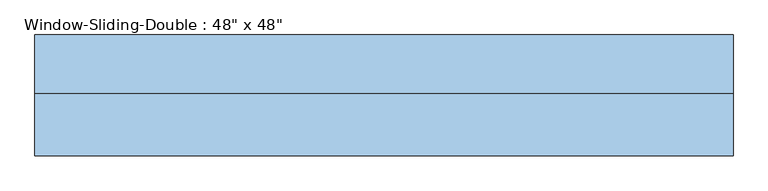
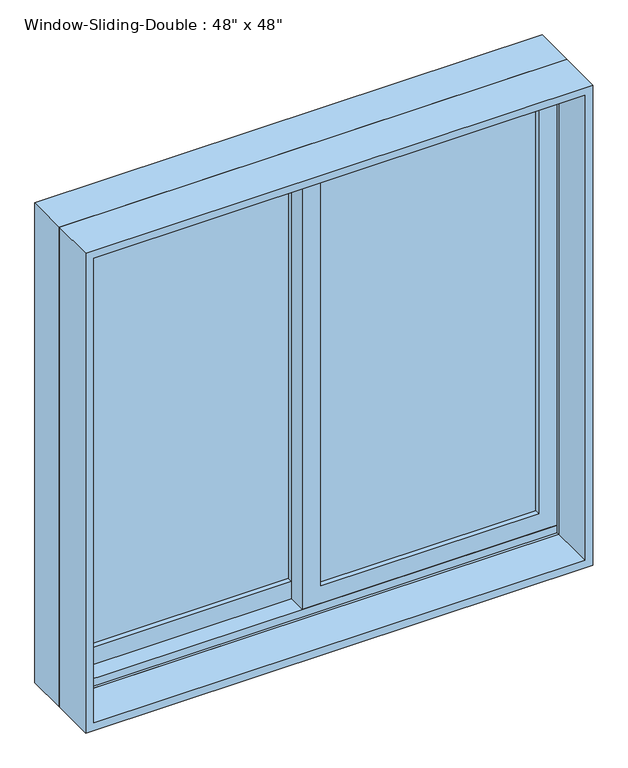
"""IFC4 building model written with IfcOpenShell, lengths in millimetres: window geometry."""

import ifcopenshell
import ifcopenshell.guid

model = None  # the IFC model being written
_history = None  # IfcOwnerHistory: only IFC2X3 demands one
_inside = {}  # id of a spatial element -> (the spatial element, [elements in it])
_under = {}  # id of a project, library or spatial element -> (it, [spatial elements below it])
_declared = {}  # id of a project -> (the project, [libraries it declares])
_typed = {}  # id of a type object -> (the type object, [elements of that type])
_made_of = {}  # id of a material, layer set ... -> (it, [elements and type objects made of it])


def new_model(schema):
    """Start an empty IFC model of exactly this schema.

    Asked for "IFC4X3", IfcOpenShell would pick the latest addendum, in which some entities
    have other attributes; the version numbers below select the first issue.
    IFC2X3 requires an IfcOwnerHistory on every rooted entity: one is made here for all.
    """
    global model, _history
    if schema == "IFC4X3":
        model = ifcopenshell.file(schema_version=(4, 3, 0, 0))
    else:
        model = ifcopenshell.file(schema=schema)
    _inside.clear()
    _under.clear()
    _declared.clear()
    _typed.clear()
    _made_of.clear()
    _history = None
    if model.schema == "IFC2X3":
        org = make("IfcOrganization", Name="unknown")
        user = make(
            "IfcPersonAndOrganization",
            ThePerson=make("IfcPerson", FamilyName="unknown"),
            TheOrganization=org,
        )
        app = make(
            "IfcApplication",
            ApplicationDeveloper=org,
            Version="unknown",
            ApplicationFullName="unknown",
            ApplicationIdentifier="unknown",
        )
        _history = make(
            "IfcOwnerHistory",
            OwningUser=user,
            OwningApplication=app,
            ChangeAction="ADDED",
            CreationDate=0,
        )
    return model


def make(cls, **values):
    """One entity of the class cls with the attributes given. An attribute that is None is left unset."""
    return model.create_entity(
        cls, **{name: value for name, value in values.items() if value is not None}
    )


def rooted(cls, **values):
    """An entity with a GlobalId (a new one), such as an element, a storey or a relation."""
    return make(cls, GlobalId=ifcopenshell.guid.new(), OwnerHistory=_history, **values)


def si_unit(unit_type, name, prefix=None):
    """IfcSIUnit, for example si_unit("LENGTHUNIT", "METRE", prefix="MILLI")."""
    return make("IfcSIUnit", UnitType=unit_type, Prefix=prefix, Name=name)


def assignment(units):
    """IfcUnitAssignment: the units of a project."""
    return None if units is None else make("IfcUnitAssignment", Units=units)


def point(xyz):
    """IfcCartesianPoint."""
    return None if xyz is None else make("IfcCartesianPoint", Coordinates=xyz)


def direction(xyz):
    """IfcDirection."""
    return None if xyz is None else make("IfcDirection", DirectionRatios=xyz)


def frame(location, z_axis=None, x_axis=None):
    """IfcAxis2Placement3D, a coordinate frame: its origin and axes. An axis left out is left unset."""
    return make(
        "IfcAxis2Placement3D",
        Location=point(location),
        Axis=direction(z_axis),
        RefDirection=direction(x_axis),
    )


def origin():
    """The frame at (0, 0, 0) with its axes left unset."""
    return frame((0.0, 0.0, 0.0))


def place(relative_to, where):
    """IfcLocalPlacement: puts the frame where relative to a parent placement (None: the world)."""
    return make(
        "IfcLocalPlacement", PlacementRelTo=relative_to, RelativePlacement=where
    )


def context(
    kind, dimensions, precision=None, world=None, true_north=None, identifier=None
):
    """IfcGeometricRepresentationContext, for example the 3D "Model" context."""
    return make(
        "IfcGeometricRepresentationContext",
        ContextIdentifier=identifier,
        ContextType=kind,
        CoordinateSpaceDimension=dimensions,
        Precision=precision,
        WorldCoordinateSystem=world,
        TrueNorth=true_north,
    )


def project(units=None, contexts=None):
    """IfcProject with its units and contexts."""
    return rooted(
        "IfcProject",
        Name="project",
        RepresentationContexts=contexts,
        UnitsInContext=assignment(units),
    )


def spatial(cls, under=None, at=None, **own):
    """A site, building, storey or space (cls), placed at a placement, below another one or the project."""
    s = rooted(cls, ObjectPlacement=at, **own)
    if under is not None:
        _under.setdefault(under.id(), (under, []))[1].append(s)
    return s


def polyline(points):
    """IfcPolyline through the points."""
    return make("IfcPolyline", Points=[point(p) for p in points])


def outline(outer, holes=None, kind="AREA"):
    """IfcArbitraryClosedProfileDef: a profile drawn as a closed curve; with holes, ...WithVoids."""
    if holes is None:
        return make("IfcArbitraryClosedProfileDef", ProfileType=kind, OuterCurve=outer)
    return make(
        "IfcArbitraryProfileDefWithVoids",
        ProfileType=kind,
        OuterCurve=outer,
        InnerCurves=holes,
    )


def extrude(swept, where, along, depth):
    """IfcExtrudedAreaSolid: the profile swept, set in the frame where, extruded along a direction by depth."""
    return make(
        "IfcExtrudedAreaSolid",
        SweptArea=swept,
        Position=where,
        ExtrudedDirection=direction(along),
        Depth=depth,
    )


def faces_of(points, faces, orient=None, outer=None):
    """IfcFace entities. A face is a list of loops; a loop is a list of indices into points, from 0.

    orient and outer hold one flag for each loop. By default every Orientation is true, the
    first loop of a face is its IfcFaceOuterBound and the others are IfcFaceBound.
    """
    made = []
    for i, loops in enumerate(faces):
        bounds = []
        for j, loop in enumerate(loops):
            is_outer = j == 0 if outer is None else outer[i][j]
            bounds.append(
                make(
                    "IfcFaceOuterBound" if is_outer else "IfcFaceBound",
                    Bound=make("IfcPolyLoop", Polygon=[points[k] for k in loop]),
                    Orientation=True if orient is None else orient[i][j],
                )
            )
        made.append(make("IfcFace", Bounds=bounds))
    return made


def faceted_brep(points, faces, orient=None, outer=None, voids=None):
    """IfcFacetedBrep: a solid bounded by flat faces; with voids (closed shells), ...WithVoids."""
    shared = [point(p) for p in points]
    hull = make("IfcClosedShell", CfsFaces=faces_of(shared, faces, orient, outer))
    if voids is None:
        return make("IfcFacetedBrep", Outer=hull)
    return make(
        "IfcFacetedBrepWithVoids",
        Outer=hull,
        Voids=[
            make(cls, CfsFaces=faces_of(shared, fs, o, b)) for cls, fs, o, b in voids
        ],
    )


def shape(context_of_items, identifier, shape_type, items):
    """IfcShapeRepresentation: the items that make up one representation, for example the "Body"."""
    return make(
        "IfcShapeRepresentation",
        ContextOfItems=context_of_items,
        RepresentationIdentifier=identifier,
        RepresentationType=shape_type,
        Items=items,
    )


def source(mapping_origin, context_of_items, identifier, shape_type, items):
    """IfcRepresentationMap: a shape defined once, which mapped items show again and again."""
    return make(
        "IfcRepresentationMap",
        MappingOrigin=mapping_origin,
        MappedRepresentation=shape(context_of_items, identifier, shape_type, items),
    )


def transform(
    local_origin,
    x_axis=None,
    y_axis=None,
    z_axis=None,
    scale=None,
    scale2=None,
    scale3=None,
    uniform=True,
):
    """IfcCartesianTransformationOperator3D, or its non-uniform kind. x_axis, y_axis, z_axis: its Axis1, 2, 3."""
    if uniform:
        return make(
            "IfcCartesianTransformationOperator3D",
            Axis1=direction(x_axis),
            Axis2=direction(y_axis),
            LocalOrigin=point(local_origin),
            Scale=scale,
            Axis3=direction(z_axis),
        )
    return make(
        "IfcCartesianTransformationOperator3DnonUniform",
        Axis1=direction(x_axis),
        Axis2=direction(y_axis),
        LocalOrigin=point(local_origin),
        Scale=scale,
        Axis3=direction(z_axis),
        Scale2=scale2,
        Scale3=scale3,
    )


def mapped(mapping_source, mapping_target):
    """IfcMappedItem: shows the shape of a source again, moved by a transform."""
    return make(
        "IfcMappedItem", MappingSource=mapping_source, MappingTarget=mapping_target
    )


def made_of(thing, what):
    """Note that an element or type object is made of a material, layer set ...; save() writes the relation."""
    if what is not None:
        _made_of.setdefault(what.id(), (what, []))[1].append(thing)
    return thing


def element(
    cls,
    number,
    at=None,
    inside=None,
    cuts=None,
    type_object=None,
    material=None,
    context=None,
    identifier="Body",
    shape_type=None,
    held_by="IfcProductDefinitionShape",
    body=None,
    shapes=None,
    **own,
):
    """One element of the class cls, such as IfcWall. Its Tag is "e" and its number.

    at: its placement. inside: the storey or other place that contains it. cuts: it is an
    opening in that element (IfcRelVoidsElement). A single representation is given by context,
    identifier, shape_type and body (its items); several are given by shapes. held_by: the class
    of the entity that holds the representations. save() writes the other relations.
    """
    e = rooted(cls, Tag="e%d" % number, ObjectPlacement=at, **own)
    if body is not None:
        shapes = [shape(context, identifier, shape_type, body)]
    if shapes is not None:
        e.Representation = make(held_by, Representations=shapes)
    if inside is not None:
        _inside.setdefault(inside.id(), (inside, []))[1].append(e)
    if cuts is not None:
        rooted(
            "IfcRelVoidsElement", RelatingBuildingElement=cuts, RelatedOpeningElement=e
        )
    if type_object is not None:
        _typed.setdefault(type_object.id(), (type_object, []))[1].append(e)
    return made_of(e, material)


def aggregate(whole, parts):
    """IfcRelAggregates: a whole, such as a stair, and the parts it consists of."""
    return rooted("IfcRelAggregates", RelatingObject=whole, RelatedObjects=parts)


def save(model, path):
    """Write the relations noted so far, then the file.

    IfcRelAggregates (storeys below a building ...), IfcRelContainedInSpatialStructure (elements
    in a storey), IfcRelDefinesByType, IfcRelAssociatesMaterial and IfcRelDeclares: one each for
    every whole, place, type object, material and project.
    """
    for whole, parts in _under.values():
        aggregate(whole, parts)
    for where, things in _inside.values():
        rooted(
            "IfcRelContainedInSpatialStructure",
            RelatedElements=things,
            RelatingStructure=where,
        )
    for kind, things in _typed.values():
        rooted("IfcRelDefinesByType", RelatedObjects=things, RelatingType=kind)
    for what, things in _made_of.values():
        rooted("IfcRelAssociatesMaterial", RelatedObjects=things, RelatingMaterial=what)
    for by, libraries in _declared.values():
        rooted("IfcRelDeclares", RelatingContext=by, RelatedDefinitions=libraries)
    model.write(path)


def window_9bcd7ea6(model_context):
    return source(origin(), model_context, "Body", "SolidModel", [
        faceted_brep([(-609.6, 9.68375, 914.4), (-609.6, 111.28375, 914.4), (609.6, 111.28375, 914.4), (609.6, 9.68375, 914.4), (-568.6778905, 111.28375, 2092.6778905), (-568.6778905, 104.93375, 2092.6778905), (-568.6778905, 104.93375, 933.45), (-568.6778905, 111.28375, 933.45), (568.6778905, 104.93375, 2092.6778905), (568.6778905, 104.93375, 933.45), (590.55, 104.93375, 933.45), (590.55, 104.93375, 2114.55), (-590.55, 104.93375, 2114.55), (-590.55, 104.93375, 933.45), (-590.55, 9.68375, 2114.55), (-590.55, 9.68375, 933.45), (-590.55, 16.03375, 933.45), (-590.55, 16.03375, 952.5), (-590.55, 60.48375, 952.5), (-590.55, 60.48375, 933.45), (609.6, 9.68375, 2133.6), (-609.6, 9.68375, 2133.6), (590.55, 9.68375, 2114.55), (590.55, 9.68375, 933.45), (-609.6, 111.28375, 2133.6), (609.6, 111.28375, 2133.6), (568.6778905, 111.28375, 933.45), (568.6778905, 111.28375, 2092.6778905), (590.55, 60.48375, 933.45), (590.55, 60.48375, 952.5), (590.55, 16.03375, 952.5), (590.55, 16.03375, 933.45)], [[[0, 1, 2, 3]], [[4, 5, 6, 7]], [[5, 8, 9, 10, 11, 12, 13, 6]], [[12, 14, 15, 16, 17, 18, 19, 13]], [[0, 3, 20, 21], [22, 23, 15, 14]], [[24, 1, 0, 21]], [[2, 1, 24, 25], [4, 7, 26, 27]], [[5, 4, 27, 8]], [[12, 11, 22, 14]], [[21, 20, 25, 24]], [[8, 27, 26, 9]], [[22, 11, 10, 28, 29, 30, 31, 23]], [[20, 3, 2, 25]], [[26, 7, 6, 13, 19, 28, 10, 9]], [[28, 19, 18, 29]], [[29, 18, 17, 30]], [[30, 17, 16, 31]], [[15, 23, 31, 16]]]),
        extrude(outline(polyline([(2133.6, -609.6), (914.4, -609.6), (914.4, 609.6), (2133.6, 609.6), (2133.6, -609.6)]), holes=[polyline([(2114.55, 590.55), (933.45, 590.55), (933.45, -590.55), (2114.55, -590.55), (2114.55, 590.55)])]), frame((0.0, -99.85375, 0.0), z_axis=(0.0, 1.0, 0.0), x_axis=(0.0, 0.0, 1.0)), (0.0, 0.0, 1.0), 109.5375),
        extrude(outline(polyline([(546.1, 47.78375), (546.1, 41.43375), (22.225, 41.43375), (22.225, 47.78375), (546.1, 47.78375)])), frame((0.0, 0.0, 996.95), z_axis=(0.0, 0.0, 1.0), x_axis=(1.0, 0.0, 0.0)), (0.0, 0.0, 1.0), 1073.15),
        extrude(outline(polyline([(546.1, 35.08375), (546.1, 28.73375), (22.225, 28.73375), (22.225, 35.08375), (546.1, 35.08375)])), frame((0.0, 0.0, 996.95), z_axis=(0.0, 0.0, 1.0), x_axis=(1.0, 0.0, 0.0)), (0.0, 0.0, 1.0), 1073.15),
        extrude(outline(polyline([(-22.225, 92.23375), (-22.225, 85.88375), (-546.1, 85.88375), (-546.1, 92.23375), (-22.225, 92.23375)])), frame((0.0, 0.0, 996.95), z_axis=(0.0, 0.0, 1.0), x_axis=(1.0, 0.0, 0.0)), (0.0, 0.0, 1.0), 1073.15),
        extrude(outline(polyline([(-22.225, 79.53375), (-22.225, 73.18375), (-546.1, 73.18375), (-546.1, 79.53375), (-22.225, 79.53375)])), frame((0.0, 0.0, 996.95), z_axis=(0.0, 0.0, 1.0), x_axis=(1.0, 0.0, 0.0)), (0.0, 0.0, 1.0), 1073.15),
        extrude(outline(polyline([(933.45, -590.55), (933.45, 22.225), (2114.55, 22.225), (2114.55, -590.55), (933.45, -590.55)]), holes=[polyline([(2070.1, -22.225), (996.95, -22.225), (996.95, -546.1), (2070.1, -546.1), (2070.1, -22.225)])]), frame((0.0, 60.48375, 0.0), z_axis=(0.0, 1.0, 0.0), x_axis=(0.0, 0.0, 1.0)), (0.0, 0.0, 1.0), 44.45),
        extrude(outline(polyline([(952.5, 590.55), (2114.55, 590.55), (2114.55, -22.225), (952.5, -22.225), (952.5, 590.55)]), holes=[polyline([(996.95, 22.225), (2070.1, 22.225), (2070.1, 546.1), (996.95, 546.1), (996.95, 22.225)])]), frame((0.0, 16.03375, 0.0), z_axis=(0.0, 1.0, 0.0), x_axis=(0.0, 0.0, 1.0)), (0.0, 0.0, 1.0), 44.45),
    ])


if __name__ == "__main__":
    model = new_model("IFC4")
    model_context = context("Model", 3, world=origin())
    ifc_project = project(units=[si_unit("LENGTHUNIT", "METRE", prefix="MILLI")], contexts=[model_context])
    site = spatial("IfcSite", under=ifc_project)
    building = spatial("IfcBuilding", under=site)
    placement = place(None, origin())
    window_shape = window_9bcd7ea6(model_context)
    element("IfcWindow", 1, ObjectType="Window-Sliding-Double : 48\" x 48\"", at=placement, inside=building, context=model_context, shape_type="MappedRepresentation", body=[
        mapped(window_shape, transform((0.0, 0.0, 0.0), x_axis=(1.0, 0.0, 0.0), y_axis=(0.0, 1.0, 0.0), z_axis=(0.0, 0.0, 1.0))),
    ])
    save(model, "model.ifc")
